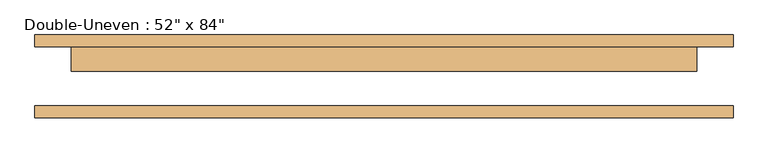
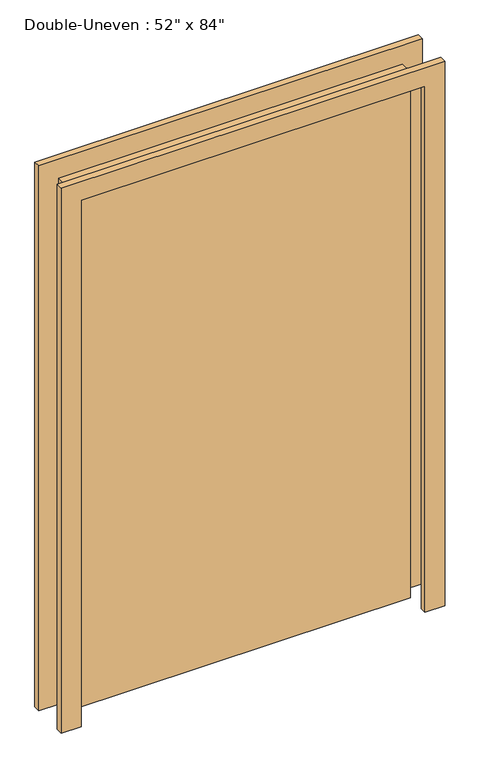
"""IFC4 building model written with IfcOpenShell, lengths in millimetres: door geometry."""

from ifc_helpers import new_model, si_unit, frame, origin, origin_with_axes, place, context, project, spatial, polyline, outline, extrude, source, transform, mapped, element, save


def door_2e8f1ef3(model_context):
    return source(origin(), model_context, "Body", "SweptSolid", [
        extrude(outline(polyline([(101.6, 61.9125), (101.6, 11.1125), (-1219.2, 11.1125), (-1219.2, 61.9125), (101.6, 61.9125)])), origin_with_axes(), (0.0, 0.0, 1.0), 2133.6),
        extrude(outline(polyline([(2133.6, -1219.2), (2133.6, 101.6), (0.0, 101.6), (0.0, 177.8), (2209.8, 177.8), (2209.8, -1295.4), (0.0, -1295.4), (0.0, -1219.2), (2133.6, -1219.2)])), frame((0.0, -87.3125, 0.0), z_axis=(0.0, 1.0, 0.0), x_axis=(0.0, 0.0, 1.0)), (0.0, 0.0, 1.0), 25.4),
        extrude(outline(polyline([(2133.6, -1219.2), (2133.6, 101.6), (0.0, 101.6), (0.0, 177.8), (2209.8, 177.8), (2209.8, -1295.4), (0.0, -1295.4), (0.0, -1219.2), (2133.6, -1219.2)])), frame((0.0, 61.9125, 0.0), z_axis=(0.0, 1.0, 0.0), x_axis=(0.0, 0.0, 1.0)), (0.0, 0.0, 1.0), 25.4),
    ])


if __name__ == "__main__":
    model = new_model("IFC4")
    model_context = context("Model", 3, world=origin())
    ifc_project = project(units=[si_unit("LENGTHUNIT", "METRE", prefix="MILLI")], contexts=[model_context])
    site = spatial("IfcSite", under=ifc_project)
    building = spatial("IfcBuilding", under=site)
    placement = place(None, origin())
    door_shape = door_2e8f1ef3(model_context)
    element("IfcDoor", 1, ObjectType="Double-Uneven : 52\" x 84\"", at=placement, inside=building, context=model_context, shape_type="MappedRepresentation", body=[
        mapped(door_shape, transform((0.0, 0.0, 0.0), x_axis=(1.0, 0.0, 0.0), y_axis=(0.0, 1.0, 0.0), z_axis=(0.0, 0.0, 1.0))),
    ])
    save(model, "model.ifc")
